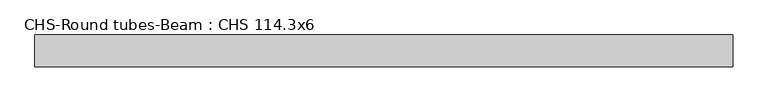
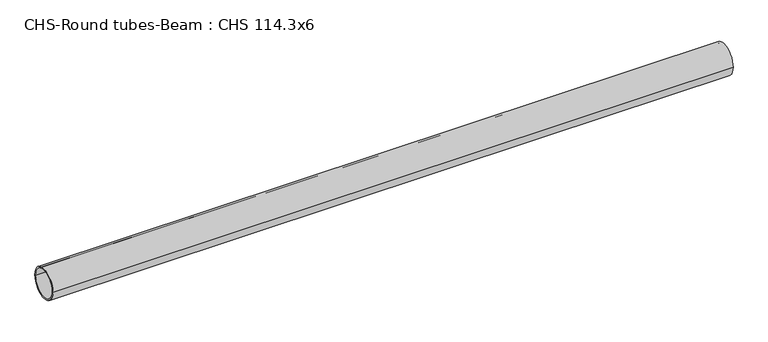
"""IFC4 building model written with IfcOpenShell, lengths in millimetres: beam geometry, CHS-Round tubes-Beam : CHS 114.3x6."""

from ifc_helpers import new_model, si_unit, point, frame, origin, origin_2d, place, context, project, spatial, circle_curve, trimmed, segment, composite_curve, outline, extrude, source, transform, mapped, element, save


def chs_round_tubes_beam_chs_114_3x6_2d00bdbe(model_context):
    return source(origin(), model_context, "Body", "SweptSolid", [
        extrude(outline(composite_curve([segment(trimmed(circle_curve(origin_2d(), 57.15), [point((57.15, 0.0))], [point((-57.15, 0.0))], False, "CARTESIAN"), True, "CONTINUOUS"), segment(trimmed(circle_curve(origin_2d(), 57.15), [point((-57.15, 0.0))], [point((57.15, 0.0))], False, "CARTESIAN"), True, "CONTINUOUS")], self_intersect=False), holes=[composite_curve([segment(trimmed(circle_curve(origin_2d(), 51.15), [point((51.15, 0.0))], [point((-51.15, 0.0))], True, "CARTESIAN"), True, "CONTINUOUS"), segment(trimmed(circle_curve(origin_2d(), 51.15), [point((-51.15, 0.0))], [point((51.15, 0.0))], True, "CARTESIAN"), True, "CONTINUOUS")], self_intersect=False)]), frame((-1212.3470629, 0.0, 0.0), z_axis=(1.0, 0.0, 0.0), x_axis=(0.0, 1.0, 0.0)), (0.0, 0.0, 1.0), 2498.7289812),
    ])


if __name__ == "__main__":
    model = new_model("IFC4")
    model_context = context("Model", 3, world=origin())
    ifc_project = project(units=[si_unit("LENGTHUNIT", "METRE", prefix="MILLI")], contexts=[model_context])
    site = spatial("IfcSite", under=ifc_project)
    building = spatial("IfcBuilding", under=site)
    placement = place(None, origin())
    chs_round_tubes_beam_chs_114_3x6_shape = chs_round_tubes_beam_chs_114_3x6_2d00bdbe(model_context)
    element("IfcBeam", 1, ObjectType="CHS-Round tubes-Beam : CHS 114.3x6", at=placement, inside=building, context=model_context, shape_type="MappedRepresentation", body=[
        mapped(chs_round_tubes_beam_chs_114_3x6_shape, transform((0.0, 0.0, 0.0), x_axis=(1.0, 0.0, 0.0), y_axis=(0.0, 1.0, 0.0), z_axis=(0.0, 0.0, 1.0))),
    ])
    save(model, "model.ifc")
